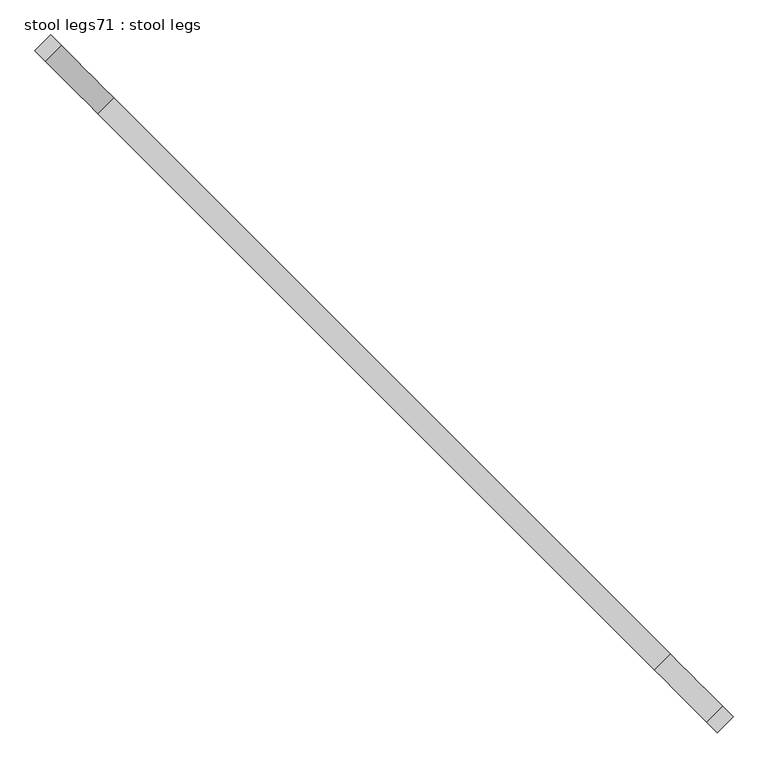
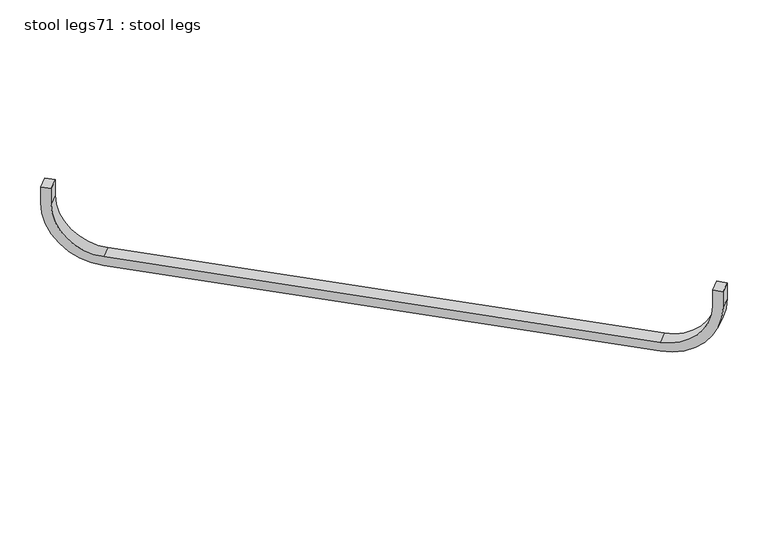
"""IFC4 building model written with IfcOpenShell, lengths in millimetres: furniture geometry, stool legs71 : stool legs."""

from ifc_helpers import new_model, si_unit, point, frame, frame_2d, origin, place, context, project, spatial, polyline, circle_curve, trimmed, segment, composite_curve, outline, extrude, source, transform, mapped, element, save


def stool_legs71_stool_legs_a0a20ecd(model_context):
    return source(origin(), model_context, "Body", "SweptSolid", [
        extrude(outline(composite_curve([segment(polyline([(0.0, 254.0), (-44.45, 254.0), (-44.45, 279.4000001), (0.0, 279.4000001)]), True, "CONTINUOUS"), segment(trimmed(circle_curve(frame_2d((0.0, 127.0000001)), 152.4), [point((0.0, 279.4000001))], [point((152.4, 127.0000001))], False, "CARTESIAN"), True, "CONTINUOUS"), segment(polyline([(152.4, 127.0000001), (152.4, -1219.2)]), True, "CONTINUOUS"), segment(trimmed(circle_curve(frame_2d((0.0, -1219.2)), 152.4), [point((152.4, -1219.2))], [point((0.0, -1371.6))], False, "CARTESIAN"), True, "CONTINUOUS"), segment(polyline([(0.0, -1371.6), (-44.45, -1371.6), (-44.45, -1346.2), (0.0, -1346.2)]), True, "CONTINUOUS"), segment(trimmed(circle_curve(frame_2d((0.0, -1219.2)), 127.0), [point((0.0, -1346.2))], [point((127.0, -1219.2))], True, "CARTESIAN"), True, "CONTINUOUS"), segment(polyline([(127.0, -1219.2), (127.0, 127.0000001)]), True, "CONTINUOUS"), segment(trimmed(circle_curve(frame_2d((0.0, 127.0000001)), 127.0), [point((127.0, 127.0000001))], [point((0.0, 254.0))], True, "CARTESIAN"), True, "CONTINUOUS")], self_intersect=False)), frame((-119739.4264951, -5572.2799738, 412.75), z_axis=(0.707106781186577, 0.707106781186518, 0.0), x_axis=(0.0, 0.0, -1.0)), (0.0, 0.0, 1.0), 38.1),
    ])


if __name__ == "__main__":
    model = new_model("IFC4")
    model_context = context("Model", 3, world=origin())
    ifc_project = project(units=[si_unit("LENGTHUNIT", "METRE", prefix="MILLI")], contexts=[model_context])
    site = spatial("IfcSite", under=ifc_project)
    building = spatial("IfcBuilding", under=site)
    placement = place(None, origin())
    stool_legs71_stool_legs_shape = stool_legs71_stool_legs_a0a20ecd(model_context)
    element("IfcFurniture", 1, ObjectType="stool legs71 : stool legs", at=placement, inside=building, context=model_context, shape_type="MappedRepresentation", body=[
        mapped(stool_legs71_stool_legs_shape, transform((0.0, 0.0, 0.0), x_axis=(1.0, 0.0, 0.0), y_axis=(0.0, 1.0, 0.0), z_axis=(0.0, 0.0, 1.0))),
    ])
    save(model, "model.ifc")
